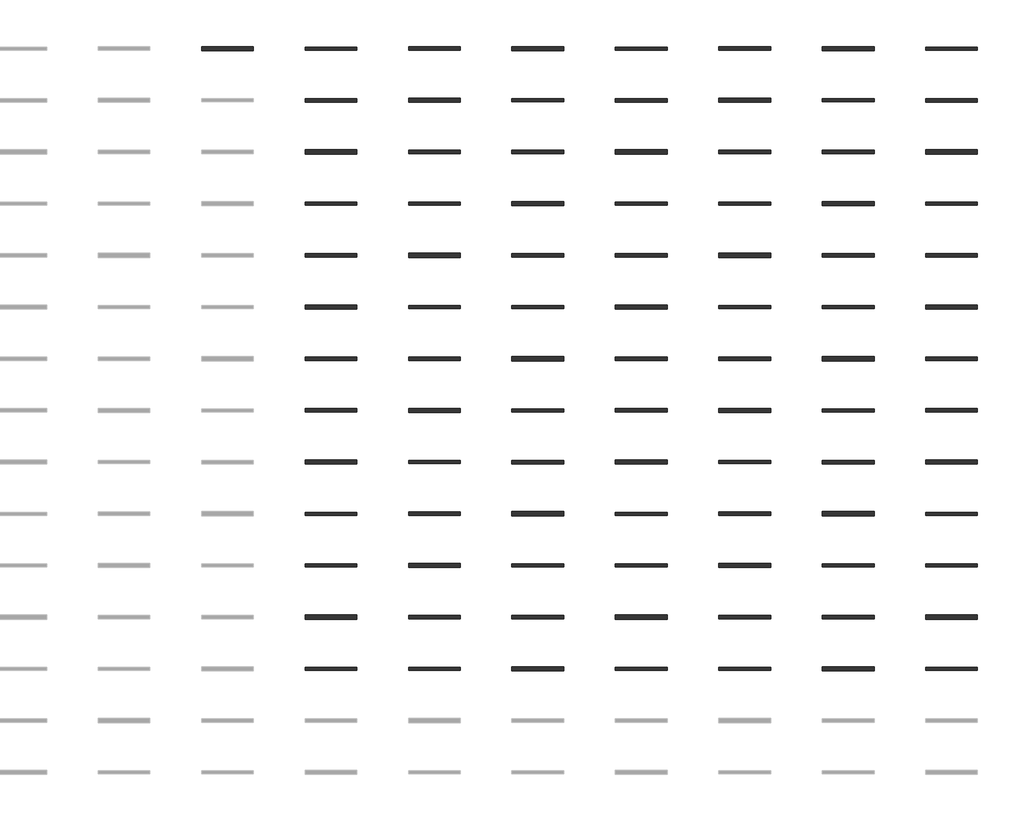
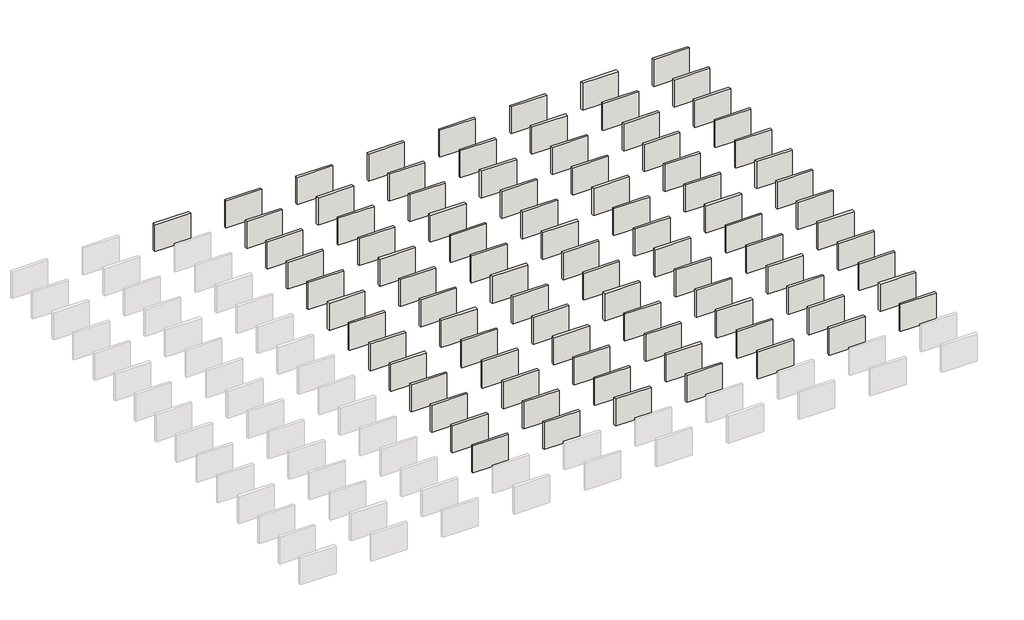
# One storey, part 3 of 3: 92 walls.
"""IFC4 building model written with IfcOpenShell, lengths in millimetres."""

import ifcopenshell
import ifcopenshell.guid

model = None  # the IFC model being written
_history = None  # IfcOwnerHistory: only IFC2X3 demands one
_inside = {}  # id of a spatial element -> (the spatial element, [elements in it])
_under = {}  # id of a project, library or spatial element -> (it, [spatial elements below it])
_declared = {}  # id of a project -> (the project, [libraries it declares])
_typed = {}  # id of a type object -> (the type object, [elements of that type])
_made_of = {}  # id of a material, layer set ... -> (it, [elements and type objects made of it])


def new_model(schema):
    """Start an empty IFC model of exactly this schema.

    Asked for "IFC4X3", IfcOpenShell would pick the latest addendum, in which some entities
    have other attributes; the version numbers below select the first issue.
    IFC2X3 requires an IfcOwnerHistory on every rooted entity: one is made here for all.
    """
    global model, _history
    if schema == "IFC4X3":
        model = ifcopenshell.file(schema_version=(4, 3, 0, 0))
    else:
        model = ifcopenshell.file(schema=schema)
    _inside.clear()
    _under.clear()
    _declared.clear()
    _typed.clear()
    _made_of.clear()
    _history = None
    if model.schema == "IFC2X3":
        org = make("IfcOrganization", Name="unknown")
        user = make(
            "IfcPersonAndOrganization",
            ThePerson=make("IfcPerson", FamilyName="unknown"),
            TheOrganization=org,
        )
        app = make(
            "IfcApplication",
            ApplicationDeveloper=org,
            Version="unknown",
            ApplicationFullName="unknown",
            ApplicationIdentifier="unknown",
        )
        _history = make(
            "IfcOwnerHistory",
            OwningUser=user,
            OwningApplication=app,
            ChangeAction="ADDED",
            CreationDate=0,
        )
    return model


def make(cls, **values):
    """One entity of the class cls with the attributes given. An attribute that is None is left unset."""
    return model.create_entity(
        cls, **{name: value for name, value in values.items() if value is not None}
    )


def rooted(cls, **values):
    """An entity with a GlobalId (a new one), such as an element, a storey or a relation."""
    return make(cls, GlobalId=ifcopenshell.guid.new(), OwnerHistory=_history, **values)


def si_unit(unit_type, name, prefix=None):
    """IfcSIUnit, for example si_unit("LENGTHUNIT", "METRE", prefix="MILLI")."""
    return make("IfcSIUnit", UnitType=unit_type, Prefix=prefix, Name=name)


def assignment(units):
    """IfcUnitAssignment: the units of a project."""
    return None if units is None else make("IfcUnitAssignment", Units=units)


def point(xyz):
    """IfcCartesianPoint."""
    return None if xyz is None else make("IfcCartesianPoint", Coordinates=xyz)


def direction(xyz):
    """IfcDirection."""
    return None if xyz is None else make("IfcDirection", DirectionRatios=xyz)


def frame(location, z_axis=None, x_axis=None):
    """IfcAxis2Placement3D, a coordinate frame: its origin and axes. An axis left out is left unset."""
    return make(
        "IfcAxis2Placement3D",
        Location=point(location),
        Axis=direction(z_axis),
        RefDirection=direction(x_axis),
    )


def origin():
    """The frame at (0, 0, 0) with its axes left unset."""
    return frame((0.0, 0.0, 0.0))


def origin_with_axes():
    """The frame at (0, 0, 0) with the z axis (0, 0, 1) and the x axis (1, 0, 0) written out."""
    return frame((0.0, 0.0, 0.0), z_axis=(0.0, 0.0, 1.0), x_axis=(1.0, 0.0, 0.0))


def place(relative_to, where):
    """IfcLocalPlacement: puts the frame where relative to a parent placement (None: the world)."""
    return make(
        "IfcLocalPlacement", PlacementRelTo=relative_to, RelativePlacement=where
    )


def context(
    kind, dimensions, precision=None, world=None, true_north=None, identifier=None
):
    """IfcGeometricRepresentationContext, for example the 3D "Model" context."""
    return make(
        "IfcGeometricRepresentationContext",
        ContextIdentifier=identifier,
        ContextType=kind,
        CoordinateSpaceDimension=dimensions,
        Precision=precision,
        WorldCoordinateSystem=world,
        TrueNorth=true_north,
    )


def project(units=None, contexts=None):
    """IfcProject with its units and contexts."""
    return rooted(
        "IfcProject",
        Name="project",
        RepresentationContexts=contexts,
        UnitsInContext=assignment(units),
    )


def spatial(cls, under=None, at=None, **own):
    """A site, building, storey or space (cls), placed at a placement, below another one or the project."""
    s = rooted(cls, ObjectPlacement=at, **own)
    if under is not None:
        _under.setdefault(under.id(), (under, []))[1].append(s)
    return s


def polyline(points):
    """IfcPolyline through the points."""
    return make("IfcPolyline", Points=[point(p) for p in points])


def outline(outer, holes=None, kind="AREA"):
    """IfcArbitraryClosedProfileDef: a profile drawn as a closed curve; with holes, ...WithVoids."""
    if holes is None:
        return make("IfcArbitraryClosedProfileDef", ProfileType=kind, OuterCurve=outer)
    return make(
        "IfcArbitraryProfileDefWithVoids",
        ProfileType=kind,
        OuterCurve=outer,
        InnerCurves=holes,
    )


def extrude(swept, where, along, depth):
    """IfcExtrudedAreaSolid: the profile swept, set in the frame where, extruded along a direction by depth."""
    return make(
        "IfcExtrudedAreaSolid",
        SweptArea=swept,
        Position=where,
        ExtrudedDirection=direction(along),
        Depth=depth,
    )


def shape(context_of_items, identifier, shape_type, items):
    """IfcShapeRepresentation: the items that make up one representation, for example the "Body"."""
    return make(
        "IfcShapeRepresentation",
        ContextOfItems=context_of_items,
        RepresentationIdentifier=identifier,
        RepresentationType=shape_type,
        Items=items,
    )


def made_of(thing, what):
    """Note that an element or type object is made of a material, layer set ...; save() writes the relation."""
    if what is not None:
        _made_of.setdefault(what.id(), (what, []))[1].append(thing)
    return thing


def element(
    cls,
    number,
    at=None,
    inside=None,
    cuts=None,
    type_object=None,
    material=None,
    context=None,
    identifier="Body",
    shape_type=None,
    held_by="IfcProductDefinitionShape",
    body=None,
    shapes=None,
    **own,
):
    """One element of the class cls, such as IfcWall. Its Tag is "e" and its number.

    at: its placement. inside: the storey or other place that contains it. cuts: it is an
    opening in that element (IfcRelVoidsElement). A single representation is given by context,
    identifier, shape_type and body (its items); several are given by shapes. held_by: the class
    of the entity that holds the representations. save() writes the other relations.
    """
    e = rooted(cls, Tag="e%d" % number, ObjectPlacement=at, **own)
    if body is not None:
        shapes = [shape(context, identifier, shape_type, body)]
    if shapes is not None:
        e.Representation = make(held_by, Representations=shapes)
    if inside is not None:
        _inside.setdefault(inside.id(), (inside, []))[1].append(e)
    if cuts is not None:
        rooted(
            "IfcRelVoidsElement", RelatingBuildingElement=cuts, RelatedOpeningElement=e
        )
    if type_object is not None:
        _typed.setdefault(type_object.id(), (type_object, []))[1].append(e)
    return made_of(e, material)


def aggregate(whole, parts):
    """IfcRelAggregates: a whole, such as a stair, and the parts it consists of."""
    return rooted("IfcRelAggregates", RelatingObject=whole, RelatedObjects=parts)


def save(model, path):
    """Write the relations noted so far, then the file.

    IfcRelAggregates (storeys below a building ...), IfcRelContainedInSpatialStructure (elements
    in a storey), IfcRelDefinesByType, IfcRelAssociatesMaterial and IfcRelDeclares: one each for
    every whole, place, type object, material and project.
    """
    for whole, parts in _under.values():
        aggregate(whole, parts)
    for where, things in _inside.values():
        rooted(
            "IfcRelContainedInSpatialStructure",
            RelatedElements=things,
            RelatingStructure=where,
        )
    for kind, things in _typed.values():
        rooted("IfcRelDefinesByType", RelatedObjects=things, RelatingType=kind)
    for what, things in _made_of.values():
        rooted("IfcRelAssociatesMaterial", RelatedObjects=things, RelatingMaterial=what)
    for by, libraries in _declared.values():
        rooted("IfcRelDeclares", RelatingContext=by, RelatedDefinitions=libraries)
    model.write(path)


model = new_model("IFC4")

# Units and contexts
model_context = context("Model", 3, world=origin())
ifc_project = project(units=[si_unit("LENGTHUNIT", "METRE", prefix="MILLI")], contexts=[model_context])

# Site, building, storey
site = spatial("IfcSite", under=ifc_project)
building = spatial("IfcBuilding", under=site)
storey = spatial("IfcBuildingStorey", under=building, Elevation=0.0)

# Walls
placement = place(None, origin())
element("IfcWall", 1, at=placement, inside=storey, context=model_context, shape_type="SweptSolid", body=[
    extrude(outline(polyline([(994.2022285, 38120.4931855), (-2053.7977715, 38120.4931855), (-2053.7977715, 38368.1939926), (994.2022285, 38368.1939926), (994.2022285, 38120.4931855)])), origin_with_axes(), (0.0, 0.0, 1.0), 2438.4),
])
element("IfcWall", 2, at=placement, inside=storey, context=model_context, shape_type="SweptSolid", body=[
    extrude(outline(polyline([(7090.2022285, 38150.6556885), (4042.2022285, 38150.6556885), (4042.2022285, 38338.0314896), (7090.2022285, 38338.0314896), (7090.2022285, 38150.6556885)])), origin_with_axes(), (0.0, 0.0, 1.0), 2438.4),
])
element("IfcWall", 3, at=placement, inside=storey, context=model_context, shape_type="SweptSolid", body=[
    extrude(outline(polyline([(13186.2022285, 38145.8931885), (10138.2022285, 38145.8931885), (10138.2022285, 38342.7939896), (13186.2022285, 38342.7939896), (13186.2022285, 38145.8931885)])), origin_with_axes(), (0.0, 0.0, 1.0), 2438.4),
])
element("IfcWall", 4, at=placement, inside=storey, context=model_context, shape_type="SweptSolid", body=[
    extrude(outline(polyline([(19282.2022285, 38120.4931855), (16234.2022285, 38120.4931855), (16234.2022285, 38368.1939926), (19282.2022285, 38368.1939926), (19282.2022285, 38120.4931855)])), origin_with_axes(), (0.0, 0.0, 1.0), 2438.4),
])
element("IfcWall", 5, at=placement, inside=storey, context=model_context, shape_type="SweptSolid", body=[
    extrude(outline(polyline([(25378.2022285, 38150.6556885), (22330.2022285, 38150.6556885), (22330.2022285, 38338.0314896), (25378.2022285, 38338.0314896), (25378.2022285, 38150.6556885)])), origin_with_axes(), (0.0, 0.0, 1.0), 2438.4),
])
element("IfcWall", 6, at=placement, inside=storey, context=model_context, shape_type="SweptSolid", body=[
    extrude(outline(polyline([(31474.2022285, 38145.8931885), (28426.2022285, 38145.8931885), (28426.2022285, 38342.7939896), (31474.2022285, 38342.7939896), (31474.2022285, 38145.8931885)])), origin_with_axes(), (0.0, 0.0, 1.0), 2438.4),
])
element("IfcWall", 7, at=placement, inside=storey, context=model_context, shape_type="SweptSolid", body=[
    extrude(outline(polyline([(37570.2022285, 38120.4931855), (34522.2022285, 38120.4931855), (34522.2022285, 38368.1939926), (37570.2022285, 38368.1939926), (37570.2022285, 38120.4931855)])), origin_with_axes(), (0.0, 0.0, 1.0), 2438.4),
])
element("IfcWall", 8, at=placement, inside=storey, context=model_context, shape_type="SweptSolid", body=[
    extrude(outline(polyline([(43666.2022285, 38150.6556885), (40618.2022285, 38150.6556885), (40618.2022285, 38338.0314896), (43666.2022285, 38338.0314896), (43666.2022285, 38150.6556885)])), origin_with_axes(), (0.0, 0.0, 1.0), 2438.4),
])
element("IfcWall", 9, at=placement, inside=storey, context=model_context, shape_type="SweptSolid", body=[
    extrude(outline(polyline([(7090.2022285, 35097.8931885), (4042.2022285, 35097.8931885), (4042.2022285, 35294.7939896), (7090.2022285, 35294.7939896), (7090.2022285, 35097.8931885)])), origin_with_axes(), (0.0, 0.0, 1.0), 2438.4),
])
element("IfcWall", 10, at=placement, inside=storey, context=model_context, shape_type="SweptSolid", body=[
    extrude(outline(polyline([(13186.2022285, 35072.4931855), (10138.2022285, 35072.4931855), (10138.2022285, 35320.1939926), (13186.2022285, 35320.1939926), (13186.2022285, 35072.4931855)])), origin_with_axes(), (0.0, 0.0, 1.0), 2438.4),
])
element("IfcWall", 11, at=placement, inside=storey, context=model_context, shape_type="SweptSolid", body=[
    extrude(outline(polyline([(19282.2022285, 35102.6556885), (16234.2022285, 35102.6556885), (16234.2022285, 35290.0314896), (19282.2022285, 35290.0314896), (19282.2022285, 35102.6556885)])), origin_with_axes(), (0.0, 0.0, 1.0), 2438.4),
])
element("IfcWall", 12, at=placement, inside=storey, context=model_context, shape_type="SweptSolid", body=[
    extrude(outline(polyline([(25378.2022285, 35097.8931885), (22330.2022285, 35097.8931885), (22330.2022285, 35294.7939896), (25378.2022285, 35294.7939896), (25378.2022285, 35097.8931885)])), origin_with_axes(), (0.0, 0.0, 1.0), 2438.4),
])
element("IfcWall", 13, at=placement, inside=storey, context=model_context, shape_type="SweptSolid", body=[
    extrude(outline(polyline([(31474.2022285, 35072.4931855), (28426.2022285, 35072.4931855), (28426.2022285, 35320.1939926), (31474.2022285, 35320.1939926), (31474.2022285, 35072.4931855)])), origin_with_axes(), (0.0, 0.0, 1.0), 2438.4),
])
element("IfcWall", 14, at=placement, inside=storey, context=model_context, shape_type="SweptSolid", body=[
    extrude(outline(polyline([(37570.2022285, 35102.6556885), (34522.2022285, 35102.6556885), (34522.2022285, 35290.0314896), (37570.2022285, 35290.0314896), (37570.2022285, 35102.6556885)])), origin_with_axes(), (0.0, 0.0, 1.0), 2438.4),
])
element("IfcWall", 15, at=placement, inside=storey, context=model_context, shape_type="SweptSolid", body=[
    extrude(outline(polyline([(43666.2022285, 35097.8931885), (40618.2022285, 35097.8931885), (40618.2022285, 35294.7939896), (43666.2022285, 35294.7939896), (43666.2022285, 35097.8931885)])), origin_with_axes(), (0.0, 0.0, 1.0), 2438.4),
])
element("IfcWall", 16, at=placement, inside=storey, context=model_context, shape_type="SweptSolid", body=[
    extrude(outline(polyline([(7090.2022285, 32024.4931855), (4042.2022285, 32024.4931855), (4042.2022285, 32272.1939926), (7090.2022285, 32272.1939926), (7090.2022285, 32024.4931855)])), origin_with_axes(), (0.0, 0.0, 1.0), 2438.4),
])
element("IfcWall", 17, at=placement, inside=storey, context=model_context, shape_type="SweptSolid", body=[
    extrude(outline(polyline([(13186.2022285, 32054.6556885), (10138.2022285, 32054.6556885), (10138.2022285, 32242.0314896), (13186.2022285, 32242.0314896), (13186.2022285, 32054.6556885)])), origin_with_axes(), (0.0, 0.0, 1.0), 2438.4),
])
element("IfcWall", 18, at=placement, inside=storey, context=model_context, shape_type="SweptSolid", body=[
    extrude(outline(polyline([(19282.2022285, 32049.8931885), (16234.2022285, 32049.8931885), (16234.2022285, 32246.7939896), (19282.2022285, 32246.7939896), (19282.2022285, 32049.8931885)])), origin_with_axes(), (0.0, 0.0, 1.0), 2438.4),
])
element("IfcWall", 19, at=placement, inside=storey, context=model_context, shape_type="SweptSolid", body=[
    extrude(outline(polyline([(25378.2022285, 32024.4931855), (22330.2022285, 32024.4931855), (22330.2022285, 32272.1939926), (25378.2022285, 32272.1939926), (25378.2022285, 32024.4931855)])), origin_with_axes(), (0.0, 0.0, 1.0), 2438.4),
])
element("IfcWall", 20, at=placement, inside=storey, context=model_context, shape_type="SweptSolid", body=[
    extrude(outline(polyline([(31474.2022285, 32054.6556885), (28426.2022285, 32054.6556885), (28426.2022285, 32242.0314896), (31474.2022285, 32242.0314896), (31474.2022285, 32054.6556885)])), origin_with_axes(), (0.0, 0.0, 1.0), 2438.4),
])
element("IfcWall", 21, at=placement, inside=storey, context=model_context, shape_type="SweptSolid", body=[
    extrude(outline(polyline([(37570.2022285, 32049.8931885), (34522.2022285, 32049.8931885), (34522.2022285, 32246.7939896), (37570.2022285, 32246.7939896), (37570.2022285, 32049.8931885)])), origin_with_axes(), (0.0, 0.0, 1.0), 2438.4),
])
element("IfcWall", 22, at=placement, inside=storey, context=model_context, shape_type="SweptSolid", body=[
    extrude(outline(polyline([(43666.2022285, 32024.4931855), (40618.2022285, 32024.4931855), (40618.2022285, 32272.1939926), (43666.2022285, 32272.1939926), (43666.2022285, 32024.4931855)])), origin_with_axes(), (0.0, 0.0, 1.0), 2438.4),
])
element("IfcWall", 23, at=placement, inside=storey, context=model_context, shape_type="SweptSolid", body=[
    extrude(outline(polyline([(7090.2022285, 29006.6556885), (4042.2022285, 29006.6556885), (4042.2022285, 29194.0314896), (7090.2022285, 29194.0314896), (7090.2022285, 29006.6556885)])), origin_with_axes(), (0.0, 0.0, 1.0), 2438.4),
])
element("IfcWall", 24, at=placement, inside=storey, context=model_context, shape_type="SweptSolid", body=[
    extrude(outline(polyline([(13186.2022285, 29001.8931885), (10138.2022285, 29001.8931885), (10138.2022285, 29198.7939896), (13186.2022285, 29198.7939896), (13186.2022285, 29001.8931885)])), origin_with_axes(), (0.0, 0.0, 1.0), 2438.4),
])
element("IfcWall", 25, at=placement, inside=storey, context=model_context, shape_type="SweptSolid", body=[
    extrude(outline(polyline([(19282.2022285, 28976.4931855), (16234.2022285, 28976.4931855), (16234.2022285, 29224.1939926), (19282.2022285, 29224.1939926), (19282.2022285, 28976.4931855)])), origin_with_axes(), (0.0, 0.0, 1.0), 2438.4),
])
element("IfcWall", 26, at=placement, inside=storey, context=model_context, shape_type="SweptSolid", body=[
    extrude(outline(polyline([(25378.2022285, 29006.6556885), (22330.2022285, 29006.6556885), (22330.2022285, 29194.0314896), (25378.2022285, 29194.0314896), (25378.2022285, 29006.6556885)])), origin_with_axes(), (0.0, 0.0, 1.0), 2438.4),
])
element("IfcWall", 27, at=placement, inside=storey, context=model_context, shape_type="SweptSolid", body=[
    extrude(outline(polyline([(31474.2022285, 29001.8931885), (28426.2022285, 29001.8931885), (28426.2022285, 29198.7939896), (31474.2022285, 29198.7939896), (31474.2022285, 29001.8931885)])), origin_with_axes(), (0.0, 0.0, 1.0), 2438.4),
])
element("IfcWall", 28, at=placement, inside=storey, context=model_context, shape_type="SweptSolid", body=[
    extrude(outline(polyline([(37570.2022285, 28976.4931855), (34522.2022285, 28976.4931855), (34522.2022285, 29224.1939926), (37570.2022285, 29224.1939926), (37570.2022285, 28976.4931855)])), origin_with_axes(), (0.0, 0.0, 1.0), 2438.4),
])
element("IfcWall", 29, at=placement, inside=storey, context=model_context, shape_type="SweptSolid", body=[
    extrude(outline(polyline([(43666.2022285, 29006.6556885), (40618.2022285, 29006.6556885), (40618.2022285, 29194.0314896), (43666.2022285, 29194.0314896), (43666.2022285, 29006.6556885)])), origin_with_axes(), (0.0, 0.0, 1.0), 2438.4),
])
element("IfcWall", 30, at=placement, inside=storey, context=model_context, shape_type="SweptSolid", body=[
    extrude(outline(polyline([(7090.2022285, 25953.8931885), (4042.2022285, 25953.8931885), (4042.2022285, 26150.7939896), (7090.2022285, 26150.7939896), (7090.2022285, 25953.8931885)])), origin_with_axes(), (0.0, 0.0, 1.0), 2438.4),
])
element("IfcWall", 31, at=placement, inside=storey, context=model_context, shape_type="SweptSolid", body=[
    extrude(outline(polyline([(13186.2022285, 25928.4931855), (10138.2022285, 25928.4931855), (10138.2022285, 26176.1939926), (13186.2022285, 26176.1939926), (13186.2022285, 25928.4931855)])), origin_with_axes(), (0.0, 0.0, 1.0), 2438.4),
])
element("IfcWall", 32, at=placement, inside=storey, context=model_context, shape_type="SweptSolid", body=[
    extrude(outline(polyline([(19282.2022285, 25958.6556885), (16234.2022285, 25958.6556885), (16234.2022285, 26146.0314896), (19282.2022285, 26146.0314896), (19282.2022285, 25958.6556885)])), origin_with_axes(), (0.0, 0.0, 1.0), 2438.4),
])
element("IfcWall", 33, at=placement, inside=storey, context=model_context, shape_type="SweptSolid", body=[
    extrude(outline(polyline([(25378.2022285, 25953.8931885), (22330.2022285, 25953.8931885), (22330.2022285, 26150.7939896), (25378.2022285, 26150.7939896), (25378.2022285, 25953.8931885)])), origin_with_axes(), (0.0, 0.0, 1.0), 2438.4),
])
element("IfcWall", 34, at=placement, inside=storey, context=model_context, shape_type="SweptSolid", body=[
    extrude(outline(polyline([(31474.2022285, 25928.4931855), (28426.2022285, 25928.4931855), (28426.2022285, 26176.1939926), (31474.2022285, 26176.1939926), (31474.2022285, 25928.4931855)])), origin_with_axes(), (0.0, 0.0, 1.0), 2438.4),
])
element("IfcWall", 35, at=placement, inside=storey, context=model_context, shape_type="SweptSolid", body=[
    extrude(outline(polyline([(37570.2022285, 25958.6556885), (34522.2022285, 25958.6556885), (34522.2022285, 26146.0314896), (37570.2022285, 26146.0314896), (37570.2022285, 25958.6556885)])), origin_with_axes(), (0.0, 0.0, 1.0), 2438.4),
])
element("IfcWall", 36, at=placement, inside=storey, context=model_context, shape_type="SweptSolid", body=[
    extrude(outline(polyline([(43666.2022285, 25953.8931885), (40618.2022285, 25953.8931885), (40618.2022285, 26150.7939896), (43666.2022285, 26150.7939896), (43666.2022285, 25953.8931885)])), origin_with_axes(), (0.0, 0.0, 1.0), 2438.4),
])
element("IfcWall", 37, at=placement, inside=storey, context=model_context, shape_type="SweptSolid", body=[
    extrude(outline(polyline([(7090.2022285, 22880.4931855), (4042.2022285, 22880.4931855), (4042.2022285, 23128.1939926), (7090.2022285, 23128.1939926), (7090.2022285, 22880.4931855)])), origin_with_axes(), (0.0, 0.0, 1.0), 2438.4),
])
element("IfcWall", 38, at=placement, inside=storey, context=model_context, shape_type="SweptSolid", body=[
    extrude(outline(polyline([(13186.2022285, 22910.6556885), (10138.2022285, 22910.6556885), (10138.2022285, 23098.0314896), (13186.2022285, 23098.0314896), (13186.2022285, 22910.6556885)])), origin_with_axes(), (0.0, 0.0, 1.0), 2438.4),
])
element("IfcWall", 39, at=placement, inside=storey, context=model_context, shape_type="SweptSolid", body=[
    extrude(outline(polyline([(19282.2022285, 22905.8931885), (16234.2022285, 22905.8931885), (16234.2022285, 23102.7939896), (19282.2022285, 23102.7939896), (19282.2022285, 22905.8931885)])), origin_with_axes(), (0.0, 0.0, 1.0), 2438.4),
])
element("IfcWall", 40, at=placement, inside=storey, context=model_context, shape_type="SweptSolid", body=[
    extrude(outline(polyline([(25378.2022285, 22880.4931855), (22330.2022285, 22880.4931855), (22330.2022285, 23128.1939926), (25378.2022285, 23128.1939926), (25378.2022285, 22880.4931855)])), origin_with_axes(), (0.0, 0.0, 1.0), 2438.4),
])
element("IfcWall", 41, at=placement, inside=storey, context=model_context, shape_type="SweptSolid", body=[
    extrude(outline(polyline([(31474.2022285, 22910.6556885), (28426.2022285, 22910.6556885), (28426.2022285, 23098.0314896), (31474.2022285, 23098.0314896), (31474.2022285, 22910.6556885)])), origin_with_axes(), (0.0, 0.0, 1.0), 2438.4),
])
element("IfcWall", 42, at=placement, inside=storey, context=model_context, shape_type="SweptSolid", body=[
    extrude(outline(polyline([(37570.2022285, 22905.8931885), (34522.2022285, 22905.8931885), (34522.2022285, 23102.7939896), (37570.2022285, 23102.7939896), (37570.2022285, 22905.8931885)])), origin_with_axes(), (0.0, 0.0, 1.0), 2438.4),
])
element("IfcWall", 43, at=placement, inside=storey, context=model_context, shape_type="SweptSolid", body=[
    extrude(outline(polyline([(43666.2022285, 22880.4931855), (40618.2022285, 22880.4931855), (40618.2022285, 23128.1939926), (43666.2022285, 23128.1939926), (43666.2022285, 22880.4931855)])), origin_with_axes(), (0.0, 0.0, 1.0), 2438.4),
])
element("IfcWall", 44, at=placement, inside=storey, context=model_context, shape_type="SweptSolid", body=[
    extrude(outline(polyline([(7090.2022285, 19862.6556885), (4042.2022285, 19862.6556885), (4042.2022285, 20050.0314896), (7090.2022285, 20050.0314896), (7090.2022285, 19862.6556885)])), origin_with_axes(), (0.0, 0.0, 1.0), 2438.4),
])
element("IfcWall", 45, at=placement, inside=storey, context=model_context, shape_type="SweptSolid", body=[
    extrude(outline(polyline([(13186.2022285, 19857.8931885), (10138.2022285, 19857.8931885), (10138.2022285, 20054.7939896), (13186.2022285, 20054.7939896), (13186.2022285, 19857.8931885)])), origin_with_axes(), (0.0, 0.0, 1.0), 2438.4),
])
element("IfcWall", 46, at=placement, inside=storey, context=model_context, shape_type="SweptSolid", body=[
    extrude(outline(polyline([(19282.2022285, 19832.4931855), (16234.2022285, 19832.4931855), (16234.2022285, 20080.1939926), (19282.2022285, 20080.1939926), (19282.2022285, 19832.4931855)])), origin_with_axes(), (0.0, 0.0, 1.0), 2438.4),
])
element("IfcWall", 47, at=placement, inside=storey, context=model_context, shape_type="SweptSolid", body=[
    extrude(outline(polyline([(25378.2022285, 19862.6556885), (22330.2022285, 19862.6556885), (22330.2022285, 20050.0314896), (25378.2022285, 20050.0314896), (25378.2022285, 19862.6556885)])), origin_with_axes(), (0.0, 0.0, 1.0), 2438.4),
])
element("IfcWall", 48, at=placement, inside=storey, context=model_context, shape_type="SweptSolid", body=[
    extrude(outline(polyline([(31474.2022285, 19857.8931885), (28426.2022285, 19857.8931885), (28426.2022285, 20054.7939896), (31474.2022285, 20054.7939896), (31474.2022285, 19857.8931885)])), origin_with_axes(), (0.0, 0.0, 1.0), 2438.4),
])
element("IfcWall", 49, at=placement, inside=storey, context=model_context, shape_type="SweptSolid", body=[
    extrude(outline(polyline([(37570.2022285, 19832.4931855), (34522.2022285, 19832.4931855), (34522.2022285, 20080.1939926), (37570.2022285, 20080.1939926), (37570.2022285, 19832.4931855)])), origin_with_axes(), (0.0, 0.0, 1.0), 2438.4),
])
element("IfcWall", 50, at=placement, inside=storey, context=model_context, shape_type="SweptSolid", body=[
    extrude(outline(polyline([(43666.2022285, 19862.6556885), (40618.2022285, 19862.6556885), (40618.2022285, 20050.0314896), (43666.2022285, 20050.0314896), (43666.2022285, 19862.6556885)])), origin_with_axes(), (0.0, 0.0, 1.0), 2438.4),
])
element("IfcWall", 51, at=placement, inside=storey, context=model_context, shape_type="SweptSolid", body=[
    extrude(outline(polyline([(7090.2022285, 16809.8931885), (4042.2022285, 16809.8931885), (4042.2022285, 17006.7939896), (7090.2022285, 17006.7939896), (7090.2022285, 16809.8931885)])), origin_with_axes(), (0.0, 0.0, 1.0), 2438.4),
])
element("IfcWall", 52, at=placement, inside=storey, context=model_context, shape_type="SweptSolid", body=[
    extrude(outline(polyline([(13186.2022285, 16784.4931855), (10138.2022285, 16784.4931855), (10138.2022285, 17032.1939926), (13186.2022285, 17032.1939926), (13186.2022285, 16784.4931855)])), origin_with_axes(), (0.0, 0.0, 1.0), 2438.4),
])
element("IfcWall", 53, at=placement, inside=storey, context=model_context, shape_type="SweptSolid", body=[
    extrude(outline(polyline([(19282.2022285, 16814.6556885), (16234.2022285, 16814.6556885), (16234.2022285, 17002.0314896), (19282.2022285, 17002.0314896), (19282.2022285, 16814.6556885)])), origin_with_axes(), (0.0, 0.0, 1.0), 2438.4),
])
element("IfcWall", 54, at=placement, inside=storey, context=model_context, shape_type="SweptSolid", body=[
    extrude(outline(polyline([(25378.2022285, 16809.8931885), (22330.2022285, 16809.8931885), (22330.2022285, 17006.7939896), (25378.2022285, 17006.7939896), (25378.2022285, 16809.8931885)])), origin_with_axes(), (0.0, 0.0, 1.0), 2438.4),
])
element("IfcWall", 55, at=placement, inside=storey, context=model_context, shape_type="SweptSolid", body=[
    extrude(outline(polyline([(31474.2022285, 16784.4931855), (28426.2022285, 16784.4931855), (28426.2022285, 17032.1939926), (31474.2022285, 17032.1939926), (31474.2022285, 16784.4931855)])), origin_with_axes(), (0.0, 0.0, 1.0), 2438.4),
])
element("IfcWall", 56, at=placement, inside=storey, context=model_context, shape_type="SweptSolid", body=[
    extrude(outline(polyline([(37570.2022285, 16814.6556885), (34522.2022285, 16814.6556885), (34522.2022285, 17002.0314896), (37570.2022285, 17002.0314896), (37570.2022285, 16814.6556885)])), origin_with_axes(), (0.0, 0.0, 1.0), 2438.4),
])
element("IfcWall", 57, at=placement, inside=storey, context=model_context, shape_type="SweptSolid", body=[
    extrude(outline(polyline([(43666.2022285, 16809.8931885), (40618.2022285, 16809.8931885), (40618.2022285, 17006.7939896), (43666.2022285, 17006.7939896), (43666.2022285, 16809.8931885)])), origin_with_axes(), (0.0, 0.0, 1.0), 2438.4),
])
element("IfcWall", 58, at=placement, inside=storey, context=model_context, shape_type="SweptSolid", body=[
    extrude(outline(polyline([(7090.2022285, 13736.4931855), (4042.2022285, 13736.4931855), (4042.2022285, 13984.1939926), (7090.2022285, 13984.1939926), (7090.2022285, 13736.4931855)])), origin_with_axes(), (0.0, 0.0, 1.0), 2438.4),
])
element("IfcWall", 59, at=placement, inside=storey, context=model_context, shape_type="SweptSolid", body=[
    extrude(outline(polyline([(13186.2022285, 13766.6556885), (10138.2022285, 13766.6556885), (10138.2022285, 13954.0314896), (13186.2022285, 13954.0314896), (13186.2022285, 13766.6556885)])), origin_with_axes(), (0.0, 0.0, 1.0), 2438.4),
])
element("IfcWall", 60, at=placement, inside=storey, context=model_context, shape_type="SweptSolid", body=[
    extrude(outline(polyline([(19282.2022285, 13761.8931885), (16234.2022285, 13761.8931885), (16234.2022285, 13958.7939896), (19282.2022285, 13958.7939896), (19282.2022285, 13761.8931885)])), origin_with_axes(), (0.0, 0.0, 1.0), 2438.4),
])
element("IfcWall", 61, at=placement, inside=storey, context=model_context, shape_type="SweptSolid", body=[
    extrude(outline(polyline([(25378.2022285, 13736.4931855), (22330.2022285, 13736.4931855), (22330.2022285, 13984.1939926), (25378.2022285, 13984.1939926), (25378.2022285, 13736.4931855)])), origin_with_axes(), (0.0, 0.0, 1.0), 2438.4),
])
element("IfcWall", 62, at=placement, inside=storey, context=model_context, shape_type="SweptSolid", body=[
    extrude(outline(polyline([(31474.2022285, 13766.6556885), (28426.2022285, 13766.6556885), (28426.2022285, 13954.0314896), (31474.2022285, 13954.0314896), (31474.2022285, 13766.6556885)])), origin_with_axes(), (0.0, 0.0, 1.0), 2438.4),
])
element("IfcWall", 63, at=placement, inside=storey, context=model_context, shape_type="SweptSolid", body=[
    extrude(outline(polyline([(37570.2022285, 13761.8931885), (34522.2022285, 13761.8931885), (34522.2022285, 13958.7939896), (37570.2022285, 13958.7939896), (37570.2022285, 13761.8931885)])), origin_with_axes(), (0.0, 0.0, 1.0), 2438.4),
])
element("IfcWall", 64, at=placement, inside=storey, context=model_context, shape_type="SweptSolid", body=[
    extrude(outline(polyline([(43666.2022285, 13736.4931855), (40618.2022285, 13736.4931855), (40618.2022285, 13984.1939926), (43666.2022285, 13984.1939926), (43666.2022285, 13736.4931855)])), origin_with_axes(), (0.0, 0.0, 1.0), 2438.4),
])
element("IfcWall", 65, at=placement, inside=storey, context=model_context, shape_type="SweptSolid", body=[
    extrude(outline(polyline([(7090.2022285, 10718.6556885), (4042.2022285, 10718.6556885), (4042.2022285, 10906.0314896), (7090.2022285, 10906.0314896), (7090.2022285, 10718.6556885)])), origin_with_axes(), (0.0, 0.0, 1.0), 2438.4),
])
element("IfcWall", 66, at=placement, inside=storey, context=model_context, shape_type="SweptSolid", body=[
    extrude(outline(polyline([(13186.2022285, 10713.8931885), (10138.2022285, 10713.8931885), (10138.2022285, 10910.7939896), (13186.2022285, 10910.7939896), (13186.2022285, 10713.8931885)])), origin_with_axes(), (0.0, 0.0, 1.0), 2438.4),
])
element("IfcWall", 67, at=placement, inside=storey, context=model_context, shape_type="SweptSolid", body=[
    extrude(outline(polyline([(19282.2022285, 10688.4931855), (16234.2022285, 10688.4931855), (16234.2022285, 10936.1939926), (19282.2022285, 10936.1939926), (19282.2022285, 10688.4931855)])), origin_with_axes(), (0.0, 0.0, 1.0), 2438.4),
])
element("IfcWall", 68, at=placement, inside=storey, context=model_context, shape_type="SweptSolid", body=[
    extrude(outline(polyline([(25378.2022285, 10718.6556885), (22330.2022285, 10718.6556885), (22330.2022285, 10906.0314896), (25378.2022285, 10906.0314896), (25378.2022285, 10718.6556885)])), origin_with_axes(), (0.0, 0.0, 1.0), 2438.4),
])
element("IfcWall", 69, at=placement, inside=storey, context=model_context, shape_type="SweptSolid", body=[
    extrude(outline(polyline([(31474.2022285, 10713.8931885), (28426.2022285, 10713.8931885), (28426.2022285, 10910.7939896), (31474.2022285, 10910.7939896), (31474.2022285, 10713.8931885)])), origin_with_axes(), (0.0, 0.0, 1.0), 2438.4),
])
element("IfcWall", 70, at=placement, inside=storey, context=model_context, shape_type="SweptSolid", body=[
    extrude(outline(polyline([(37570.2022285, 10688.4931855), (34522.2022285, 10688.4931855), (34522.2022285, 10936.1939926), (37570.2022285, 10936.1939926), (37570.2022285, 10688.4931855)])), origin_with_axes(), (0.0, 0.0, 1.0), 2438.4),
])
element("IfcWall", 71, at=placement, inside=storey, context=model_context, shape_type="SweptSolid", body=[
    extrude(outline(polyline([(43666.2022285, 10718.6556885), (40618.2022285, 10718.6556885), (40618.2022285, 10906.0314896), (43666.2022285, 10906.0314896), (43666.2022285, 10718.6556885)])), origin_with_axes(), (0.0, 0.0, 1.0), 2438.4),
])
element("IfcWall", 72, at=placement, inside=storey, context=model_context, shape_type="SweptSolid", body=[
    extrude(outline(polyline([(7090.2022285, 7665.8931885), (4042.2022285, 7665.8931885), (4042.2022285, 7862.7939896), (7090.2022285, 7862.7939896), (7090.2022285, 7665.8931885)])), origin_with_axes(), (0.0, 0.0, 1.0), 2438.4),
])
element("IfcWall", 73, at=placement, inside=storey, context=model_context, shape_type="SweptSolid", body=[
    extrude(outline(polyline([(13186.2022285, 7640.4931855), (10138.2022285, 7640.4931855), (10138.2022285, 7888.1939926), (13186.2022285, 7888.1939926), (13186.2022285, 7640.4931855)])), origin_with_axes(), (0.0, 0.0, 1.0), 2438.4),
])
element("IfcWall", 74, at=placement, inside=storey, context=model_context, shape_type="SweptSolid", body=[
    extrude(outline(polyline([(19282.2022285, 7670.6556885), (16234.2022285, 7670.6556885), (16234.2022285, 7858.0314896), (19282.2022285, 7858.0314896), (19282.2022285, 7670.6556885)])), origin_with_axes(), (0.0, 0.0, 1.0), 2438.4),
])
element("IfcWall", 75, at=placement, inside=storey, context=model_context, shape_type="SweptSolid", body=[
    extrude(outline(polyline([(25378.2022285, 7665.8931885), (22330.2022285, 7665.8931885), (22330.2022285, 7862.7939896), (25378.2022285, 7862.7939896), (25378.2022285, 7665.8931885)])), origin_with_axes(), (0.0, 0.0, 1.0), 2438.4),
])
element("IfcWall", 76, at=placement, inside=storey, context=model_context, shape_type="SweptSolid", body=[
    extrude(outline(polyline([(31474.2022285, 7640.4931855), (28426.2022285, 7640.4931855), (28426.2022285, 7888.1939926), (31474.2022285, 7888.1939926), (31474.2022285, 7640.4931855)])), origin_with_axes(), (0.0, 0.0, 1.0), 2438.4),
])
element("IfcWall", 77, at=placement, inside=storey, context=model_context, shape_type="SweptSolid", body=[
    extrude(outline(polyline([(37570.2022285, 7670.6556885), (34522.2022285, 7670.6556885), (34522.2022285, 7858.0314896), (37570.2022285, 7858.0314896), (37570.2022285, 7670.6556885)])), origin_with_axes(), (0.0, 0.0, 1.0), 2438.4),
])
element("IfcWall", 78, at=placement, inside=storey, context=model_context, shape_type="SweptSolid", body=[
    extrude(outline(polyline([(43666.2022285, 7665.8931885), (40618.2022285, 7665.8931885), (40618.2022285, 7862.7939896), (43666.2022285, 7862.7939896), (43666.2022285, 7665.8931885)])), origin_with_axes(), (0.0, 0.0, 1.0), 2438.4),
])
element("IfcWall", 79, at=placement, inside=storey, context=model_context, shape_type="SweptSolid", body=[
    extrude(outline(polyline([(7090.2022285, 4592.4931855), (4042.2022285, 4592.4931855), (4042.2022285, 4840.1939926), (7090.2022285, 4840.1939926), (7090.2022285, 4592.4931855)])), origin_with_axes(), (0.0, 0.0, 1.0), 2438.4),
])
element("IfcWall", 80, at=placement, inside=storey, context=model_context, shape_type="SweptSolid", body=[
    extrude(outline(polyline([(13186.2022285, 4622.6556885), (10138.2022285, 4622.6556885), (10138.2022285, 4810.0314896), (13186.2022285, 4810.0314896), (13186.2022285, 4622.6556885)])), origin_with_axes(), (0.0, 0.0, 1.0), 2438.4),
])
element("IfcWall", 81, at=placement, inside=storey, context=model_context, shape_type="SweptSolid", body=[
    extrude(outline(polyline([(19282.2022285, 4617.8931885), (16234.2022285, 4617.8931885), (16234.2022285, 4814.7939896), (19282.2022285, 4814.7939896), (19282.2022285, 4617.8931885)])), origin_with_axes(), (0.0, 0.0, 1.0), 2438.4),
])
element("IfcWall", 82, at=placement, inside=storey, context=model_context, shape_type="SweptSolid", body=[
    extrude(outline(polyline([(25378.2022285, 4592.4931855), (22330.2022285, 4592.4931855), (22330.2022285, 4840.1939926), (25378.2022285, 4840.1939926), (25378.2022285, 4592.4931855)])), origin_with_axes(), (0.0, 0.0, 1.0), 2438.4),
])
element("IfcWall", 83, at=placement, inside=storey, context=model_context, shape_type="SweptSolid", body=[
    extrude(outline(polyline([(31474.2022285, 4622.6556885), (28426.2022285, 4622.6556885), (28426.2022285, 4810.0314896), (31474.2022285, 4810.0314896), (31474.2022285, 4622.6556885)])), origin_with_axes(), (0.0, 0.0, 1.0), 2438.4),
])
element("IfcWall", 84, at=placement, inside=storey, context=model_context, shape_type="SweptSolid", body=[
    extrude(outline(polyline([(37570.2022285, 4617.8931885), (34522.2022285, 4617.8931885), (34522.2022285, 4814.7939896), (37570.2022285, 4814.7939896), (37570.2022285, 4617.8931885)])), origin_with_axes(), (0.0, 0.0, 1.0), 2438.4),
])
element("IfcWall", 85, at=placement, inside=storey, context=model_context, shape_type="SweptSolid", body=[
    extrude(outline(polyline([(43666.2022285, 4592.4931855), (40618.2022285, 4592.4931855), (40618.2022285, 4840.1939926), (43666.2022285, 4840.1939926), (43666.2022285, 4592.4931855)])), origin_with_axes(), (0.0, 0.0, 1.0), 2438.4),
])
element("IfcWall", 86, at=placement, inside=storey, context=model_context, shape_type="SweptSolid", body=[
    extrude(outline(polyline([(7090.2022285, 1574.6556885), (4042.2022285, 1574.6556885), (4042.2022285, 1762.0314896), (7090.2022285, 1762.0314896), (7090.2022285, 1574.6556885)])), origin_with_axes(), (0.0, 0.0, 1.0), 2438.4),
])
element("IfcWall", 87, at=placement, inside=storey, context=model_context, shape_type="SweptSolid", body=[
    extrude(outline(polyline([(13186.2022285, 1569.8931885), (10138.2022285, 1569.8931885), (10138.2022285, 1766.7939896), (13186.2022285, 1766.7939896), (13186.2022285, 1569.8931885)])), origin_with_axes(), (0.0, 0.0, 1.0), 2438.4),
])
element("IfcWall", 88, at=placement, inside=storey, context=model_context, shape_type="SweptSolid", body=[
    extrude(outline(polyline([(19282.2022285, 1544.4931855), (16234.2022285, 1544.4931855), (16234.2022285, 1792.1939926), (19282.2022285, 1792.1939926), (19282.2022285, 1544.4931855)])), origin_with_axes(), (0.0, 0.0, 1.0), 2438.4),
])
element("IfcWall", 89, at=placement, inside=storey, context=model_context, shape_type="SweptSolid", body=[
    extrude(outline(polyline([(25378.2022285, 1574.6556885), (22330.2022285, 1574.6556885), (22330.2022285, 1762.0314896), (25378.2022285, 1762.0314896), (25378.2022285, 1574.6556885)])), origin_with_axes(), (0.0, 0.0, 1.0), 2438.4),
])
element("IfcWall", 90, at=placement, inside=storey, context=model_context, shape_type="SweptSolid", body=[
    extrude(outline(polyline([(31474.2022285, 1569.8931885), (28426.2022285, 1569.8931885), (28426.2022285, 1766.7939896), (31474.2022285, 1766.7939896), (31474.2022285, 1569.8931885)])), origin_with_axes(), (0.0, 0.0, 1.0), 2438.4),
])
element("IfcWall", 91, at=placement, inside=storey, context=model_context, shape_type="SweptSolid", body=[
    extrude(outline(polyline([(37570.2022285, 1544.4931855), (34522.2022285, 1544.4931855), (34522.2022285, 1792.1939926), (37570.2022285, 1792.1939926), (37570.2022285, 1544.4931855)])), origin_with_axes(), (0.0, 0.0, 1.0), 2438.4),
])
element("IfcWall", 92, at=placement, inside=storey, context=model_context, shape_type="SweptSolid", body=[
    extrude(outline(polyline([(43666.2022285, 1574.6556885), (40618.2022285, 1574.6556885), (40618.2022285, 1762.0314896), (43666.2022285, 1762.0314896), (43666.2022285, 1574.6556885)])), origin_with_axes(), (0.0, 0.0, 1.0), 2438.4),
])

save(model, "model.ifc")
